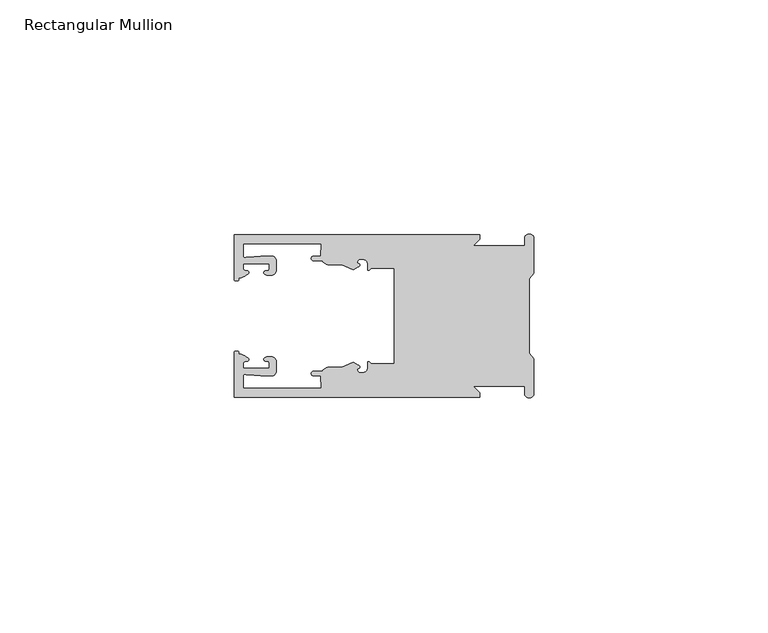
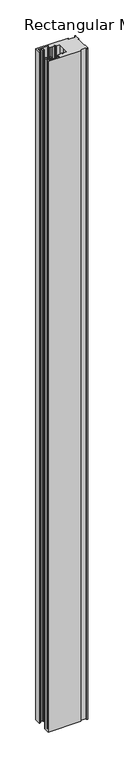
"""IFC4 building model written with IfcOpenShell, lengths in millimetres: member geometry, Rectangular Mullion."""

from ifc_helpers import new_model, si_unit, frame, origin, place, context, project, spatial, polyline, circle_curve, source, transform, mapped, element, save
from ifc_brep_helpers import plane_surface, cylinder_surface, revolved_surface, extruded_surface, spline_curve, advanced_brep


def rectangular_mullion_5be84725(model_context):
    return source(origin(), model_context, "Body", "AdvancedBrep", [
        advanced_brep(
        [(-11.5387897, 17.4000478, 0.0), (-64.0387868, 17.4000478, 0.0), (-64.0387868, 7.8350057, 0.0), (-63.2884687, 7.5412947, 0.0), (-62.4614154, 8.1921895, 0.0), (-62.0410649, 9.9426451, 0.0), (-62.0424168, 11.1926444, 0.0), (-56.54242, 11.1985924, 0.0), (-56.5410682, 9.9485931, 0.0), (-57.1085345, 8.7314723, 0.0), (-56.0397166, 8.6991345, 0.0), (-55.0407987, 9.7002154, 0.0), (-55.0430697, 11.8002142, 0.0), (-56.0446364, 12.7991315, 0.0), (-58.3650753, 12.7954945, 0.0), (-61.1340054, 12.5502269, 0.0), (-62.044093, 12.7426435, 0.0), (-62.0469668, 15.4000478, 0.0), (-45.4240312, 15.4000478, 0.0), (-45.5732135, 12.8000478, 0.0), (-47.0387868, 12.8000478, 0.0), (-47.0387868, 11.8000478, 0.0), (-45.2543363, 11.8000478, 0.0), (-43.6387868, 10.9000478, 0.0), (-41.0454034, 10.9000478, 0.0), (-38.5697136, 9.8718293, 0.0), (-37.5387868, 10.4670351, 0.0), (-37.6803436, 11.4201497, 0.0), (-37.0270763, 12.1583697, 0.0), (-36.2010815, 12.0127245, 0.0), (-35.54, 11.2248783, 0.0), (-35.54, 10.0, 0.0), (-34.7705791, 10.25, 0.0), (-29.79, 10.25, 0.0), (-29.79, 0.0, 0.0), (-29.79, -10.25, 0.0), (-34.7705791, -10.25, 0.0), (-35.54, -10.0, 0.0), (-35.54, -11.2248783, 0.0), (-36.2010815, -12.0127245, 0.0), (-37.0270763, -12.1583697, 0.0), (-37.6803436, -11.4201497, 0.0), (-37.5387868, -10.4670351, 0.0), (-38.5697136, -9.8718293, 0.0), (-41.0454034, -10.9000478, 0.0), (-43.6387868, -10.9000478, 0.0), (-45.2543363, -11.8000478, 0.0), (-47.0387868, -11.8000478, 0.0), (-47.0387868, -12.8000478, 0.0), (-45.5732135, -12.8000478, 0.0), (-45.4240312, -15.4000478, 0.0), (-62.0469668, -15.4000478, 0.0), (-62.044093, -12.7426435, 0.0), (-61.1340054, -12.5502269, 0.0), (-58.3650753, -12.7954945, 0.0), (-56.0446364, -12.7991314, 0.0), (-55.0430697, -11.8002142, 0.0), (-55.0407987, -9.7002154, 0.0), (-56.0397166, -8.6991345, 0.0), (-57.1085345, -8.7314723, 0.0), (-56.5410682, -9.9485931, 0.0), (-56.54242, -11.1985924, 0.0), (-62.0424168, -11.1926444, 0.0), (-62.0410649, -9.9426451, 0.0), (-62.4614154, -8.1921895, 0.0), (-63.2884687, -7.5412947, 0.0), (-64.0387868, -7.8350057, 0.0), (-64.0387868, -17.4000478, 0.0), (-11.5387897, -17.4000478, 0.0), (-11.5387897, -16.4000449, 0.0), (-12.9388346, -15.0, 0.0), (-2.0, -15.0, 0.0), (-2.0, -16.5, 0.0), (0.0, -16.5, 0.0), (0.0, -9.1160254, 0.0), (-1.0, -7.9613249, 0.0), (-1.0, 0.0, 0.0), (-1.0, 7.9613249, 0.0), (0.0, 9.1160254, 0.0), (0.0, 16.5, 0.0), (-2.0, 16.5, 0.0), (-2.0, 15.0, 0.0), (-12.9388346, 15.0, 0.0), (-11.5387897, 16.4000449, 0.0), (-11.5387897, 17.4000478, -1143.4999998), (-11.5387897, 16.4000449, -1143.4999998), (-12.9388346, 15.0, -1143.4999998), (-2.0, 15.0, -1143.4999998), (-2.0, 16.5, -1143.4999998), (0.0, 16.5, -1143.4999998), (0.0, 9.1160254, -1143.4999998), (-1.0, 7.9613249, -1143.4999998), (-1.0, 0.0, -1143.4999998), (-1.0, -7.9613249, -1143.4999998), (0.0, -9.1160254, -1143.4999998), (0.0, -16.5, -1143.4999998), (-2.0, -16.5, -1143.4999998), (-2.0, -15.0, -1143.4999998), (-12.9388346, -15.0, -1143.4999998), (-11.5387897, -16.4000449, -1143.4999998), (-11.5387897, -17.4000478, -1143.4999998), (-64.0387868, -17.4000478, -1143.4999998), (-64.0387868, -7.8350057, -1143.4999998), (-63.2884687, -7.5412947, -1143.4999998), (-62.4614154, -8.1921895, -1143.4999998), (-62.0410649, -9.9426451, -1143.4999998), (-62.0424168, -11.1926444, -1143.4999998), (-56.54242, -11.1985924, -1143.4999998), (-56.5410682, -9.9485931, -1143.4999998), (-57.1085345, -8.7314723, -1143.4999998), (-56.0397166, -8.6991345, -1143.4999998), (-55.0407987, -9.7002154, -1143.4999998), (-55.0430697, -11.8002142, -1143.4999998), (-56.0446364, -12.7991315, -1143.4999998), (-58.3650753, -12.7954945, -1143.4999998), (-61.1340054, -12.5502269, -1143.4999998), (-62.044093, -12.7426435, -1143.4999998), (-62.0469668, -15.4000478, -1143.4999998), (-45.4240312, -15.4000478, -1143.4999998), (-45.5732135, -12.8000478, -1143.4999998), (-47.0387868, -12.8000478, -1143.4999998), (-47.0387868, -11.8000478, -1143.4999998), (-45.2543363, -11.8000478, -1143.4999998), (-43.6387868, -10.9000478, -1143.4999998), (-41.0454034, -10.9000478, -1143.4999998), (-38.5697136, -9.8718293, -1143.4999998), (-37.5387868, -10.4670351, -1143.4999998), (-37.6803436, -11.4201497, -1143.4999998), (-37.0270763, -12.1583697, -1143.4999998), (-36.2010815, -12.0127245, -1143.4999998), (-35.54, -11.2248783, -1143.4999998), (-35.54, -10.0, -1143.4999998), (-34.7705791, -10.25, -1143.4999998), (-29.79, -10.25, -1143.4999998), (-29.79, 0.0, -1143.4999998), (-29.79, 10.25, -1143.4999998), (-34.7705791, 10.25, -1143.4999998), (-35.54, 10.0, -1143.4999998), (-35.54, 11.2248783, -1143.4999998), (-36.2010815, 12.0127245, -1143.4999998), (-37.0270763, 12.1583697, -1143.4999998), (-37.6803436, 11.4201497, -1143.4999998), (-37.5387868, 10.4670351, -1143.4999998), (-38.5697136, 9.8718293, -1143.4999998), (-41.0454034, 10.9000478, -1143.4999998), (-43.6387868, 10.9000478, -1143.4999998), (-45.2543363, 11.8000478, -1143.4999998), (-47.0387868, 11.8000478, -1143.4999998), (-47.0387868, 12.8000478, -1143.4999998), (-45.5732135, 12.8000478, -1143.4999998), (-45.4240312, 15.4000478, -1143.4999998), (-62.0469668, 15.4000478, -1143.4999998), (-62.044093, 12.7426435, -1143.4999998), (-61.1340054, 12.5502269, -1143.4999998), (-58.3650753, 12.7954945, -1143.4999998), (-56.0446364, 12.7991314, -1143.4999998), (-55.0430697, 11.8002142, -1143.4999998), (-55.0407987, 9.7002154, -1143.4999998), (-56.0397166, 8.6991345, -1143.4999998), (-57.1085345, 8.7314723, -1143.4999998), (-56.5410682, 9.9485931, -1143.4999998), (-56.54242, 11.1985924, -1143.4999998), (-62.0424168, 11.1926444, -1143.4999998), (-62.0410649, 9.9426451, -1143.4999998), (-62.4614154, 8.1921895, -1143.4999998), (-63.2884687, 7.5412947, -1143.4999998), (-64.0387868, 7.8350057, -1143.4999998), (-64.0387868, 17.4000478, -1143.4999998)],
        [
            (0, 1),
            (1, 2),
            (2, 3, spline_curve(3, [(-64.0387868, 7.8350057, 0.0), (-64.038491377, 7.561831774, 0.0), (-63.788385325, 7.463928087, 0.0), (-63.2884687, 7.5412947, 0.0)], [4, 4], [0.0, 0.0019169337574178654])),
            (3, 4, spline_curve(3, [(-63.2884687, 7.5412947, 0.0), (-63.057760917, 7.582232011, 0.0), (-63.018445067, 7.725390894, 0.0), (-63.019925494, 8.056436881, 0.0), (-63.103444208, 8.236386866, 0.0), (-62.4614154, 8.1921895, 0.0)], [4, 2, 4], [0.0, 0.0010199524164107188, 0.0024874514725970356])),
            (4, 5, spline_curve(3, [(-62.4614154, 8.1921895, 0.0), (-60.988497673, 8.880962536, 0.0), (-60.794045122, 9.192776957, 0.0), (-60.949808078, 9.57023562, 0.0), (-61.145214014, 9.682771697, 0.0), (-61.665835706, 9.714019003, 0.0), (-61.965242574, 9.660891484, 0.0), (-62.0410649, 9.9426451, 0.0)], [4, 2, 2, 4], [0.0, 0.003269869179570428, 0.005490050486237203, 0.0073545767114364426])),
            (5, 6),
            (6, 7),
            (7, 8),
            (8, 9, spline_curve(3, [(-56.5410682, 9.9485931, 0.0), (-56.634838635, 9.597117104, 0.0), (-56.904956774, 9.698238818, 0.0), (-57.324171444, 9.731086209, 0.0), (-57.45969165, 9.646199885, 0.0), (-57.729003352, 9.346016011, 0.0), (-57.859492582, 9.113082158, 0.0), (-57.1085345, 8.7314723, 0.0)], [4, 2, 2, 4], [0.0, 0.001593963049934732, 0.0033360256320283306, 0.005339140673503943])),
            (9, 10),
            (10, 11, circle_curve(frame((-56.0407981, 9.699134, 0.0), z_axis=(0.0, 0.0, 1.0), x_axis=(0.0010814451158627505, -0.9999994152380598, 0.0)), 1.0)),
            (11, 12),
            (12, 13, circle_curve(frame((-56.0430691, 11.7991327, 0.0), z_axis=(0.0, 0.0, 1.0), x_axis=(0.0010814451158627505, -0.9999994152380598, 0.0)), 1.0)),
            (13, 14),
            (14, 15),
            (15, 16, spline_curve(3, [(-61.1340054, 12.5502269, 0.0), (-61.605485428, 12.508463911, 0.0), (-61.992111419, 12.303164326, 0.0), (-62.044093, 12.7426435, 0.0)], [4, 4], [0.0, 0.0014803385355886016])),
            (16, 17),
            (17, 18),
            (18, 19),
            (19, 20),
            (20, 21, circle_curve(frame((-47.0387868, 12.3000478, 0.0), z_axis=(0.0, 0.0, 1.0), x_axis=(0.0, -1.0, 0.0)), 0.5)),
            (21, 22),
            (22, 23, circle_curve(frame((-43.6387868, 12.8000478, 0.0), z_axis=(0.0, 0.0, 1.0), x_axis=(0.0, -1.0, 0.0)), 1.9)),
            (23, 24),
            (24, 25),
            (25, 26),
            (26, 27, spline_curve(3, [(-37.5387868, 10.4670351, 0.0), (-36.973919853, 10.833863985, 0.0), (-37.198159645, 11.135696286, 0.0), (-37.587892011, 11.260246073, 0.0), (-37.754584192, 11.180452419, 0.0), (-37.6803436, 11.4201497, 0.0)], [4, 2, 4], [0.0, 0.0019283703160353726, 0.003394584635652914])),
            (27, 28, circle_curve(frame((-37.0434863, 11.5147359, 0.0), z_axis=(0.0, 0.0, -1.0), x_axis=(0.0, -1.0, 0.0)), 0.643843)),
            (28, 29),
            (29, 30, circle_curve(frame((-36.34, 11.2248783, 0.0), z_axis=(0.0, 0.0, -1.0), x_axis=(0.0, -1.0, 0.0)), 0.8)),
            (30, 31),
            (31, 32, spline_curve(3, [(-35.54, 10.0, 0.0), (-35.440000238, 9.598293201, 0.0), (-35.183526594, 9.681626535, 0.0), (-34.7705791, 10.25, 0.0)], [4, 4], [0.0, 0.0027473296990141553])),
            (32, 33),
            (33, 34),
            (34, 35),
            (35, 36),
            (36, 37, spline_curve(3, [(-34.7705791, -10.25, 0.0), (-35.183526594, -9.681626535, 0.0), (-35.440000238, -9.598293201, 0.0), (-35.54, -10.0, 0.0)], [4, 4], [0.0, 0.0027473296990141553])),
            (37, 38),
            (38, 39, circle_curve(frame((-36.34, -11.2248783, 0.0), z_axis=(0.0, 0.0, -1.0), x_axis=(0.0, 1.0, 0.0)), 0.8)),
            (39, 40),
            (40, 41, circle_curve(frame((-37.0434863, -11.5147359, 0.0), z_axis=(0.0, 0.0, -1.0), x_axis=(0.0, 1.0, 0.0)), 0.643843)),
            (41, 42, spline_curve(3, [(-37.6803436, -11.4201497, 0.0), (-37.754584192, -11.180452419, 0.0), (-37.587892011, -11.260246073, 0.0), (-37.198159645, -11.135696286, 0.0), (-36.973919853, -10.833863985, 0.0), (-37.5387868, -10.4670351, 0.0)], [4, 2, 4], [0.0, 0.0014662143196175414, 0.003394584635652914])),
            (42, 43),
            (43, 44),
            (44, 45),
            (45, 46, circle_curve(frame((-43.6387868, -12.8000478, 0.0), z_axis=(0.0, 0.0, 1.0), x_axis=(0.0, 1.0, 0.0)), 1.9)),
            (46, 47),
            (47, 48, circle_curve(frame((-47.0387868, -12.3000478, 0.0), z_axis=(0.0, 0.0, 1.0), x_axis=(0.0, 1.0, 0.0)), 0.5)),
            (48, 49),
            (49, 50),
            (50, 51),
            (51, 52),
            (52, 53, spline_curve(3, [(-62.044093, -12.7426435, 0.0), (-61.992111419, -12.303164326, 0.0), (-61.605485428, -12.508463911, 0.0), (-61.1340054, -12.5502269, 0.0)], [4, 4], [0.0, 0.0014803385355886016])),
            (53, 54),
            (54, 55),
            (55, 56, circle_curve(frame((-56.0430691, -11.7991327, 0.0), z_axis=(0.0, 0.0, 1.0), x_axis=(0.001081445115855867, 0.9999994152380598, 0.0)), 1.0)),
            (56, 57),
            (57, 58, circle_curve(frame((-56.0407981, -9.699134, 0.0), z_axis=(0.0, 0.0, 1.0), x_axis=(0.001081445115855867, 0.9999994152380598, 0.0)), 1.0)),
            (58, 59),
            (59, 60, spline_curve(3, [(-57.1085345, -8.7314723, 0.0), (-57.859492582, -9.113082158, 0.0), (-57.729003352, -9.346016011, 0.0), (-57.45969165, -9.646199885, 0.0), (-57.324171444, -9.731086209, 0.0), (-56.904956774, -9.698238818, 0.0), (-56.634838635, -9.597117104, 0.0), (-56.5410682, -9.9485931, 0.0)], [4, 2, 2, 4], [0.0, 0.002003115041475612, 0.0037451776235692107, 0.005339140673503943])),
            (60, 61),
            (61, 62),
            (62, 63),
            (63, 64, spline_curve(3, [(-62.0410649, -9.9426451, 0.0), (-61.965242574, -9.660891484, 0.0), (-61.665835706, -9.714019003, 0.0), (-61.145214014, -9.682771697, 0.0), (-60.949808078, -9.57023562, 0.0), (-60.794045122, -9.192776957, 0.0), (-60.988497673, -8.880962536, 0.0), (-62.4614154, -8.1921895, 0.0)], [4, 2, 2, 4], [0.0, 0.0018645262251992395, 0.004084707531866015, 0.0073545767114364426])),
            (64, 65, spline_curve(3, [(-62.4614154, -8.1921895, 0.0), (-63.103444208, -8.236386866, 0.0), (-63.019925494, -8.056436881, 0.0), (-63.018445067, -7.725390894, 0.0), (-63.057760917, -7.582232011, 0.0), (-63.2884687, -7.5412947, 0.0)], [4, 2, 4], [0.0, 0.0014674990561863168, 0.0024874514725970356])),
            (65, 66, spline_curve(3, [(-63.2884687, -7.5412947, 0.0), (-63.788385325, -7.463928087, 0.0), (-64.038491377, -7.561831774, 0.0), (-64.0387868, -7.8350057, 0.0)], [4, 4], [0.0, 0.0019169337574178654])),
            (66, 67),
            (67, 68),
            (68, 69),
            (69, 70),
            (70, 71),
            (71, 72),
            (72, 73, circle_curve(frame((-1.0, -16.5, 0.0), z_axis=(0.0, 0.0, 1.0), x_axis=(0.0, 1.0, 0.0)), 1.0)),
            (73, 74),
            (74, 75),
            (75, 76),
            (76, 77),
            (77, 78),
            (78, 79),
            (79, 80, circle_curve(frame((-1.0, 16.5, 0.0), z_axis=(0.0, 0.0, 1.0), x_axis=(0.0, -1.0, 0.0)), 1.0)),
            (80, 81),
            (81, 82),
            (82, 83),
            (83, 0),
            (84, 85),
            (85, 86),
            (86, 87),
            (87, 88),
            (88, 89, circle_curve(frame((-1.0, 16.5, -1143.4999998), z_axis=(0.0, 0.0, -1.0), x_axis=(0.0, -1.0, 0.0)), 1.0)),
            (89, 90),
            (90, 91),
            (91, 92),
            (92, 93),
            (93, 94),
            (94, 95),
            (95, 96, circle_curve(frame((-1.0, -16.5, -1143.4999998), z_axis=(0.0, 0.0, -1.0), x_axis=(0.0, 1.0, 0.0)), 1.0)),
            (96, 97),
            (97, 98),
            (98, 99),
            (99, 100),
            (100, 101),
            (101, 102),
            (102, 103, spline_curve(3, [(-64.0387868, -7.8350057, -1143.4999998), (-64.038491377, -7.561831774, -1143.4999998), (-63.788385325, -7.463928087, -1143.4999998), (-63.2884687, -7.5412947, -1143.4999998)], [4, 4], [0.0, 0.0019169337574178654])),
            (103, 104, spline_curve(3, [(-63.2884687, -7.5412947, -1143.4999998), (-63.057760917, -7.582232011, -1143.4999998), (-63.018445067, -7.725390894, -1143.4999998), (-63.019925494, -8.056436881, -1143.4999998), (-63.103444208, -8.236386866, -1143.4999998), (-62.4614154, -8.1921895, -1143.4999998)], [4, 2, 4], [0.0, 0.0010199524164107188, 0.0024874514725970356])),
            (104, 105, spline_curve(3, [(-62.4614154, -8.1921895, -1143.4999998), (-60.988497673, -8.880962536, -1143.4999998), (-60.794045122, -9.192776957, -1143.4999998), (-60.949808078, -9.57023562, -1143.4999998), (-61.145214014, -9.682771697, -1143.4999998), (-61.665835706, -9.714019003, -1143.4999998), (-61.965242574, -9.660891484, -1143.4999998), (-62.0410649, -9.9426451, -1143.4999998)], [4, 2, 2, 4], [0.0, 0.003269869179570428, 0.005490050486237203, 0.0073545767114364426])),
            (105, 106),
            (106, 107),
            (107, 108),
            (108, 109, spline_curve(3, [(-56.5410682, -9.9485931, -1143.4999998), (-56.634838635, -9.597117104, -1143.4999998), (-56.904956774, -9.698238818, -1143.4999998), (-57.324171444, -9.731086209, -1143.4999998), (-57.45969165, -9.646199885, -1143.4999998), (-57.729003352, -9.346016011, -1143.4999998), (-57.859492582, -9.113082158, -1143.4999998), (-57.1085345, -8.7314723, -1143.4999998)], [4, 2, 2, 4], [0.0, 0.001593963049934732, 0.0033360256320283306, 0.005339140673503943])),
            (109, 110),
            (110, 111, circle_curve(frame((-56.0407981, -9.699134, -1143.4999998), z_axis=(0.0, 0.0, -1.0), x_axis=(0.001081445115855867, 0.9999994152380598, 0.0)), 1.0)),
            (111, 112),
            (112, 113, circle_curve(frame((-56.0430691, -11.7991327, -1143.4999998), z_axis=(0.0, 0.0, -1.0), x_axis=(0.001081445115855867, 0.9999994152380598, 0.0)), 1.0)),
            (113, 114),
            (114, 115),
            (115, 116, spline_curve(3, [(-61.1340054, -12.5502269, -1143.4999998), (-61.605485428, -12.508463911, -1143.4999998), (-61.992111419, -12.303164326, -1143.4999998), (-62.044093, -12.7426435, -1143.4999998)], [4, 4], [0.0, 0.0014803385355886016])),
            (116, 117),
            (117, 118),
            (118, 119),
            (119, 120),
            (120, 121, circle_curve(frame((-47.0387868, -12.3000478, -1143.4999998), z_axis=(0.0, 0.0, -1.0), x_axis=(0.0, 1.0, 0.0)), 0.5)),
            (121, 122),
            (122, 123, circle_curve(frame((-43.6387868, -12.8000478, -1143.4999998), z_axis=(0.0, 0.0, -1.0), x_axis=(0.0, 1.0, 0.0)), 1.9)),
            (123, 124),
            (124, 125),
            (125, 126),
            (126, 127, spline_curve(3, [(-37.5387868, -10.4670351, -1143.4999998), (-36.973919853, -10.833863985, -1143.4999998), (-37.198159645, -11.135696286, -1143.4999998), (-37.587892011, -11.260246073, -1143.4999998), (-37.754584192, -11.180452419, -1143.4999998), (-37.6803436, -11.4201497, -1143.4999998)], [4, 2, 4], [0.0, 0.0019283703160353726, 0.003394584635652914])),
            (127, 128, circle_curve(frame((-37.0434863, -11.5147359, -1143.4999998), z_axis=(0.0, 0.0, 1.0), x_axis=(0.0, 1.0, 0.0)), 0.643843)),
            (128, 129),
            (129, 130, circle_curve(frame((-36.34, -11.2248783, -1143.4999998), z_axis=(0.0, 0.0, 1.0), x_axis=(0.0, 1.0, 0.0)), 0.8)),
            (130, 131),
            (131, 132, spline_curve(3, [(-35.54, -10.0, -1143.4999998), (-35.440000238, -9.598293201, -1143.4999998), (-35.183526594, -9.681626535, -1143.4999998), (-34.7705791, -10.25, -1143.4999998)], [4, 4], [0.0, 0.0027473296990141553])),
            (132, 133),
            (133, 134),
            (134, 135),
            (135, 136),
            (136, 137, spline_curve(3, [(-34.7705791, 10.25, -1143.4999998), (-35.183526594, 9.681626535, -1143.4999998), (-35.440000238, 9.598293201, -1143.4999998), (-35.54, 10.0, -1143.4999998)], [4, 4], [0.0, 0.0027473296990141553])),
            (137, 138),
            (138, 139, circle_curve(frame((-36.34, 11.2248783, -1143.4999998), z_axis=(0.0, 0.0, 1.0), x_axis=(0.0, -1.0, 0.0)), 0.8)),
            (139, 140),
            (140, 141, circle_curve(frame((-37.0434863, 11.5147359, -1143.4999998), z_axis=(0.0, 0.0, 1.0), x_axis=(0.0, -1.0, 0.0)), 0.643843)),
            (141, 142, spline_curve(3, [(-37.6803436, 11.4201497, -1143.4999998), (-37.754584192, 11.180452419, -1143.4999998), (-37.587892011, 11.260246073, -1143.4999998), (-37.198159645, 11.135696286, -1143.4999998), (-36.973919853, 10.833863985, -1143.4999998), (-37.5387868, 10.4670351, -1143.4999998)], [4, 2, 4], [0.0, 0.0014662143196175414, 0.003394584635652914])),
            (142, 143),
            (143, 144),
            (144, 145),
            (145, 146, circle_curve(frame((-43.6387868, 12.8000478, -1143.4999998), z_axis=(0.0, 0.0, -1.0), x_axis=(0.0, -1.0, 0.0)), 1.9)),
            (146, 147),
            (147, 148, circle_curve(frame((-47.0387868, 12.3000478, -1143.4999998), z_axis=(0.0, 0.0, -1.0), x_axis=(0.0, -1.0, 0.0)), 0.5)),
            (148, 149),
            (149, 150),
            (150, 151),
            (151, 152),
            (152, 153, spline_curve(3, [(-62.044093, 12.7426435, -1143.4999998), (-61.992111419, 12.303164326, -1143.4999998), (-61.605485428, 12.508463911, -1143.4999998), (-61.1340054, 12.5502269, -1143.4999998)], [4, 4], [0.0, 0.0014803385355886016])),
            (153, 154),
            (154, 155),
            (155, 156, circle_curve(frame((-56.0430691, 11.7991327, -1143.4999998), z_axis=(0.0, 0.0, -1.0), x_axis=(0.0010814451158627505, -0.9999994152380598, 0.0)), 1.0)),
            (156, 157),
            (157, 158, circle_curve(frame((-56.0407981, 9.699134, -1143.4999998), z_axis=(0.0, 0.0, -1.0), x_axis=(0.0010814451158627505, -0.9999994152380598, 0.0)), 1.0)),
            (158, 159),
            (159, 160, spline_curve(3, [(-57.1085345, 8.7314723, -1143.4999998), (-57.859492582, 9.113082158, -1143.4999998), (-57.729003352, 9.346016011, -1143.4999998), (-57.45969165, 9.646199885, -1143.4999998), (-57.324171444, 9.731086209, -1143.4999998), (-56.904956774, 9.698238818, -1143.4999998), (-56.634838635, 9.597117104, -1143.4999998), (-56.5410682, 9.9485931, -1143.4999998)], [4, 2, 2, 4], [0.0, 0.002003115041475612, 0.0037451776235692107, 0.005339140673503943])),
            (160, 161),
            (161, 162),
            (162, 163),
            (163, 164, spline_curve(3, [(-62.0410649, 9.9426451, -1143.4999998), (-61.965242574, 9.660891484, -1143.4999998), (-61.665835706, 9.714019003, -1143.4999998), (-61.145214014, 9.682771697, -1143.4999998), (-60.949808078, 9.57023562, -1143.4999998), (-60.794045122, 9.192776957, -1143.4999998), (-60.988497673, 8.880962536, -1143.4999998), (-62.4614154, 8.1921895, -1143.4999998)], [4, 2, 2, 4], [0.0, 0.0018645262251992395, 0.004084707531866015, 0.0073545767114364426])),
            (164, 165, spline_curve(3, [(-62.4614154, 8.1921895, -1143.4999998), (-63.103444208, 8.236386866, -1143.4999998), (-63.019925494, 8.056436881, -1143.4999998), (-63.018445067, 7.725390894, -1143.4999998), (-63.057760917, 7.582232011, -1143.4999998), (-63.2884687, 7.5412947, -1143.4999998)], [4, 2, 4], [0.0, 0.0014674990561863168, 0.0024874514725970356])),
            (165, 166, spline_curve(3, [(-63.2884687, 7.5412947, -1143.4999998), (-63.788385325, 7.463928087, -1143.4999998), (-64.038491377, 7.561831774, -1143.4999998), (-64.0387868, 7.8350057, -1143.4999998)], [4, 4], [0.0, 0.0019169337574178654])),
            (166, 167),
            (167, 84),
            (0, 84),
            (167, 1),
            (166, 2),
            (165, 3),
            (164, 4),
            (163, 5),
            (162, 6),
            (161, 7),
            (160, 8),
            (159, 9),
            (158, 10),
            (157, 11),
            (156, 12),
            (155, 13),
            (154, 14),
            (153, 15),
            (152, 16),
            (151, 17),
            (150, 18),
            (149, 19),
            (148, 20),
            (147, 21),
            (146, 22),
            (145, 23),
            (144, 24),
            (143, 25),
            (142, 26),
            (141, 27),
            (140, 28),
            (139, 29),
            (138, 30),
            (137, 31),
            (136, 32),
            (135, 33),
            (134, 34),
            (133, 35),
            (132, 36),
            (131, 37),
            (130, 38),
            (129, 39),
            (128, 40),
            (127, 41),
            (126, 42),
            (125, 43),
            (124, 44),
            (123, 45),
            (122, 46),
            (121, 47),
            (120, 48),
            (119, 49),
            (118, 50),
            (117, 51),
            (116, 52),
            (115, 53),
            (114, 54),
            (113, 55),
            (112, 56),
            (111, 57),
            (110, 58),
            (109, 59),
            (108, 60),
            (107, 61),
            (106, 62),
            (105, 63),
            (104, 64),
            (103, 65),
            (102, 66),
            (101, 67),
            (100, 68),
            (99, 69),
            (98, 70),
            (97, 71),
            (96, 72),
            (95, 73),
            (94, 74),
            (93, 75),
            (92, 76),
            (91, 77),
            (90, 78),
            (89, 79),
            (88, 80),
            (87, 81),
            (86, 82),
            (85, 83),
        ],
        [
            plane_surface(frame((0.0, -66.3605898, 0.0), z_axis=(0.0, 0.0, 1.0), x_axis=(-1.0, 0.0, 0.0))),
            plane_surface(frame((0.0, -66.3605898, -1143.4999998), z_axis=(0.0, 0.0, -1.0), x_axis=(-1.0, 0.0, 0.0))),
            plane_surface(frame((-11.5387897, 17.4000478, 0.0), z_axis=(0.0, 1.0, 0.0), x_axis=(0.0, 0.0, -1.0))),
            plane_surface(frame((-64.0387868, 17.4000478, 0.0), z_axis=(-1.0, 0.0, 0.0), x_axis=(0.0, 0.0, -1.0))),
            extruded_surface(spline_curve(3, [(-64.0387868, 7.8350057, -1143.4999998), (-64.038491377, 7.561831774, -1143.4999998), (-63.788385325, 7.463928087, -1143.4999998), (-63.2884687, 7.5412947, -1143.4999998)], [4, 4], [0.0, 0.0019169337574178654]), (0.0, 0.0, 1143.4999998), 1143.4999998),
            extruded_surface(spline_curve(3, [(-63.2884687, 7.5412947, -1143.4999998), (-63.057760917, 7.582232011, -1143.4999998), (-63.018445067, 7.725390894, -1143.4999998), (-63.019925494, 8.056436881, -1143.4999998), (-63.103444208, 8.236386866, -1143.4999998), (-62.4614154, 8.1921895, -1143.4999998)], [4, 2, 4], [0.0, 0.0010199524164107188, 0.0024874514725970356]), (0.0, 0.0, 1143.4999998), 1143.4999998),
            extruded_surface(spline_curve(3, [(-62.4614154, 8.1921895, -1143.4999998), (-60.988497673, 8.880962536, -1143.4999998), (-60.794045122, 9.192776957, -1143.4999998), (-60.949808078, 9.57023562, -1143.4999998), (-61.145214014, 9.682771697, -1143.4999998), (-61.665835706, 9.714019003, -1143.4999998), (-61.965242574, 9.660891484, -1143.4999998), (-62.0410649, 9.9426451, -1143.4999998)], [4, 2, 2, 4], [0.0, 0.003269869179570428, 0.005490050486237203, 0.0073545767114364426]), (0.0, 0.0, 1143.4999998), 1143.4999998),
            plane_surface(frame((-62.0410649, 9.9426451, 0.0), z_axis=(0.9999994152380598, 0.0010814451158593665, 0.0), x_axis=(0.0, 0.0, -1.0))),
            plane_surface(frame((-62.0424168, 11.1926444, 0.0), z_axis=(0.0010814451158611391, -0.9999994152380598, 0.0), x_axis=(0.0, 0.0, -1.0))),
            plane_surface(frame((-56.54242, 11.1985924, 0.0), z_axis=(-0.9999994152380598, -0.0010814451158584516, 0.0), x_axis=(0.0, 0.0, -1.0))),
            extruded_surface(spline_curve(3, [(-56.5410682, 9.9485931, -1143.4999998), (-56.634838635, 9.597117104, -1143.4999998), (-56.904956774, 9.698238818, -1143.4999998), (-57.324171444, 9.731086209, -1143.4999998), (-57.45969165, 9.646199885, -1143.4999998), (-57.729003352, 9.346016011, -1143.4999998), (-57.859492582, 9.113082158, -1143.4999998), (-57.1085345, 8.7314723, -1143.4999998)], [4, 2, 2, 4], [0.0, 0.001593963049934732, 0.0033360256320283306, 0.005339140673503943]), (0.0, 0.0, 1143.4999998), 1143.4999998),
            plane_surface(frame((-57.1085345, 8.7314723, 0.0), z_axis=(-0.030241832452869922, -0.9995426111826813, 0.0), x_axis=(0.0, 0.0, -1.0))),
            cylinder_surface(frame((-56.0407981, 9.699134, 0.0), z_axis=(0.0, 0.0, 1.0000000000000002), x_axis=(0.0010814451158627505, -0.9999994152380598, 0.0)), 1.0),
            plane_surface(frame((-55.0407987, 9.7002154, 0.0), z_axis=(0.9999994152380598, 0.001081445115858722, 0.0), x_axis=(0.0, 0.0, -1.0))),
            cylinder_surface(frame((-56.0430691, 11.7991327, 0.0), z_axis=(0.0, 0.0, 1.0000000000000002), x_axis=(0.0010814451158627505, -0.9999994152380598, 0.0)), 1.0),
            plane_surface(frame((-56.0446364, 12.7991314, 0.0), z_axis=(-0.0015673183327907744, 0.9999987717558677, 0.0), x_axis=(0.0, 0.0, -1.0))),
            plane_surface(frame((-58.3650753, 12.7954945, 0.0), z_axis=(-0.08823302167299531, 0.9960998614026874, 0.0), x_axis=(0.0, 0.0, -1.0))),
            extruded_surface(spline_curve(3, [(-61.1340054, 12.5502269, -1143.4999998), (-61.605485428, 12.508463911, -1143.4999998), (-61.992111419, 12.303164326, -1143.4999998), (-62.044093, 12.7426435, -1143.4999998)], [4, 4], [0.0, 0.0014803385355886016]), (0.0, 0.0, 1143.4999998), 1143.4999998),
            plane_surface(frame((-62.044093, 12.7426435, 0.0), z_axis=(0.9999994152380598, 0.0010814451158597813, 0.0), x_axis=(0.0, 0.0, -1.0))),
            plane_surface(frame((-62.0469668, 15.4000478, 0.0), z_axis=(0.0, -1.0, 0.0), x_axis=(0.0, 0.0, -1.0))),
            plane_surface(frame((-45.4240312, 15.4000478, 0.0), z_axis=(-0.9983579461523547, 0.05728360458675776, 0.0), x_axis=(0.0, 0.0, -1.0))),
            plane_surface(frame((-45.5732135, 12.8000478, 0.0), z_axis=(0.0, 1.0, 0.0), x_axis=(0.0, 0.0, -1.0))),
            cylinder_surface(frame((-47.0387868, 12.3000478, 0.0), z_axis=(0.0, 0.0, 1.0), x_axis=(0.0, -1.0, 0.0)), 0.5),
            plane_surface(frame((-47.0387868, 11.8000478, 0.0), z_axis=(0.0, -1.0, 0.0), x_axis=(0.0, 0.0, -1.0))),
            cylinder_surface(frame((-43.6387868, 12.8000478, 0.0), z_axis=(0.0, 0.0, 1.0), x_axis=(0.0, -1.0, 0.0)), 1.9),
            plane_surface(frame((-43.6387868, 10.9000478, 0.0), z_axis=(0.0, -1.0, 0.0), x_axis=(0.0, 0.0, -1.0))),
            plane_surface(frame((-41.0454034, 10.9000478, 0.0), z_axis=(-0.3835602140750569, -0.9235158700199453, 0.0), x_axis=(0.0, 0.0, -1.0))),
            plane_surface(frame((-38.5697136, 9.8718293, 0.0), z_axis=(0.5000000000252295, -0.8660254037698725, 0.0), x_axis=(0.0, 0.0, -1.0))),
            extruded_surface(spline_curve(3, [(-37.5387868, 10.4670351, -1143.4999998), (-36.973919853, 10.833863985, -1143.4999998), (-37.198159645, 11.135696286, -1143.4999998), (-37.587892011, 11.260246073, -1143.4999998), (-37.754584192, 11.180452419, -1143.4999998), (-37.6803436, 11.4201497, -1143.4999998)], [4, 2, 4], [0.0, 0.0019283703160353726, 0.003394584635652914]), (0.0, 0.0, 1143.4999998), 1143.4999998),
            revolved_surface(polyline([(-37.0434863, 10.8708929, -1143.4999998), (-37.0434863, 10.8708929, 0.0)]), (-37.0434863, 11.5147359, 0.0), (0.0, 0.0, -1.0)),
            plane_surface(frame((-37.0270763, 12.1583697, 0.0), z_axis=(-0.17364817767050408, -0.984807753011578, 0.0), x_axis=(0.0, 0.0, -1.0))),
            revolved_surface(polyline([(-36.34, 10.4248783, -1143.4999998), (-36.34, 10.4248783, 0.0)]), (-36.34, 11.2248783, 0.0), (0.0, 0.0, -1.0)),
            plane_surface(frame((-35.54, 11.2248783, 0.0), z_axis=(-1.0, 0.0, 0.0), x_axis=(0.0, 0.0, -1.0))),
            extruded_surface(spline_curve(3, [(-35.54, 10.0, -1143.4999998), (-35.440000238, 9.598293201, -1143.4999998), (-35.183526594, 9.681626535, -1143.4999998), (-34.7705791, 10.25, -1143.4999998)], [4, 4], [0.0, 0.0027473296990141553]), (0.0, 0.0, 1143.4999998), 1143.4999998),
            plane_surface(frame((-34.7705791, 10.25, 0.0), z_axis=(0.0, -1.0, 0.0), x_axis=(0.0, 0.0, -1.0))),
            plane_surface(frame((-29.79, 10.25, 0.0), z_axis=(-1.0, 0.0, 0.0), x_axis=(0.0, 0.0, -1.0))),
            plane_surface(frame((-29.79, 0.0, 0.0), z_axis=(-1.0, 0.0, 0.0), x_axis=(0.0, 0.0, -1.0))),
            plane_surface(frame((-29.79, -10.25, 0.0), z_axis=(0.0, 1.0, 0.0), x_axis=(0.0, 0.0, -1.0))),
            extruded_surface(spline_curve(3, [(-34.7705791, -10.25, -1143.4999998), (-35.183526594, -9.681626535, -1143.4999998), (-35.440000238, -9.598293201, -1143.4999998), (-35.54, -10.0, -1143.4999998)], [4, 4], [0.0, 0.0027473296990141553]), (0.0, 0.0, 1143.4999998), 1143.4999998),
            plane_surface(frame((-35.54, -10.0, 0.0), z_axis=(-1.0, 0.0, 0.0), x_axis=(0.0, 0.0, -1.0))),
            revolved_surface(polyline([(-36.34, -10.4248783, -1143.4999998), (-36.34, -10.4248783, 0.0)]), (-36.34, -11.2248783, 0.0), (0.0, 0.0, -1.0)),
            plane_surface(frame((-36.2010815, -12.0127245, 0.0), z_axis=(-0.17364817767051083, 0.9848077530115767, 0.0), x_axis=(0.0, 0.0, -1.0))),
            revolved_surface(polyline([(-37.0434863, -10.8708929, -1143.4999998), (-37.0434863, -10.8708929, 0.0)]), (-37.0434863, -11.5147359, 0.0), (0.0, 0.0, -1.0)),
            extruded_surface(spline_curve(3, [(-37.6803436, -11.4201497, -1143.4999998), (-37.754584192, -11.180452419, -1143.4999998), (-37.587892011, -11.260246073, -1143.4999998), (-37.198159645, -11.135696286, -1143.4999998), (-36.973919853, -10.833863985, -1143.4999998), (-37.5387868, -10.4670351, -1143.4999998)], [4, 2, 4], [0.0, 0.0014662143196175414, 0.003394584635652914]), (0.0, 0.0, 1143.4999998), 1143.4999998),
            plane_surface(frame((-37.5387868, -10.4670351, 0.0), z_axis=(0.5000000000252234, 0.8660254037698759, 0.0), x_axis=(0.0, 0.0, -1.0))),
            plane_surface(frame((-38.5697136, -9.8718293, 0.0), z_axis=(-0.38356021407506324, 0.9235158700199426, 0.0), x_axis=(0.0, 0.0, -1.0))),
            plane_surface(frame((-41.0454034, -10.9000478, 0.0), z_axis=(0.0, 1.0, 0.0), x_axis=(0.0, 0.0, -1.0))),
            cylinder_surface(frame((-43.6387868, -12.8000478, 0.0), z_axis=(0.0, 0.0, 1.0), x_axis=(0.0, 1.0, 0.0)), 1.9),
            plane_surface(frame((-45.2543363, -11.8000478, 0.0), z_axis=(0.0, 1.0, 0.0), x_axis=(0.0, 0.0, -1.0))),
            cylinder_surface(frame((-47.0387868, -12.3000478, 0.0), z_axis=(0.0, 0.0, 1.0), x_axis=(0.0, 1.0, 0.0)), 0.5),
            plane_surface(frame((-47.0387868, -12.8000478, 0.0), z_axis=(0.0, -1.0, 0.0), x_axis=(0.0, 0.0, -1.0))),
            plane_surface(frame((-45.5732135, -12.8000478, 0.0), z_axis=(-0.9983579461523543, -0.05728360458676463, 0.0), x_axis=(0.0, 0.0, -1.0))),
            plane_surface(frame((-45.4240312, -15.4000478, 0.0), z_axis=(0.0, 1.0, 0.0), x_axis=(0.0, 0.0, -1.0))),
            plane_surface(frame((-62.0469668, -15.4000478, 0.0), z_axis=(0.9999994152380598, -0.001081445115852898, 0.0), x_axis=(0.0, 0.0, -1.0))),
            extruded_surface(spline_curve(3, [(-62.044093, -12.7426435, -1143.4999998), (-61.992111419, -12.303164326, -1143.4999998), (-61.605485428, -12.508463911, -1143.4999998), (-61.1340054, -12.5502269, -1143.4999998)], [4, 4], [0.0, 0.0014803385355886016]), (0.0, 0.0, 1143.4999998), 1143.4999998),
            plane_surface(frame((-61.1340054, -12.5502269, 0.0), z_axis=(-0.08823302167298844, -0.9960998614026879, 0.0), x_axis=(0.0, 0.0, -1.0))),
            plane_surface(frame((-58.3650753, -12.7954945, 0.0), z_axis=(-0.001567318332783891, -0.9999987717558677, 0.0), x_axis=(0.0, 0.0, -1.0))),
            cylinder_surface(frame((-56.0430691, -11.7991327, 0.0), z_axis=(0.0, 0.0, 1.0000000000000002), x_axis=(0.001081445115855867, 0.9999994152380598, 0.0)), 1.0),
            plane_surface(frame((-55.0430697, -11.8002142, 0.0), z_axis=(0.9999994152380598, -0.0010814451158518386, 0.0), x_axis=(0.0, 0.0, -1.0))),
            cylinder_surface(frame((-56.0407981, -9.699134, 0.0), z_axis=(0.0, 0.0, 1.0000000000000002), x_axis=(0.001081445115855867, 0.9999994152380598, 0.0)), 1.0),
            plane_surface(frame((-56.0397166, -8.6991345, 0.0), z_axis=(-0.030241832452876805, 0.9995426111826811, 0.0), x_axis=(0.0, 0.0, -1.0))),
            extruded_surface(spline_curve(3, [(-57.1085345, -8.7314723, -1143.4999998), (-57.859492582, -9.113082158, -1143.4999998), (-57.729003352, -9.346016011, -1143.4999998), (-57.45969165, -9.646199885, -1143.4999998), (-57.324171444, -9.731086209, -1143.4999998), (-56.904956774, -9.698238818, -1143.4999998), (-56.634838635, -9.597117104, -1143.4999998), (-56.5410682, -9.9485931, -1143.4999998)], [4, 2, 2, 4], [0.0, 0.002003115041475612, 0.0037451776235692107, 0.005339140673503943]), (0.0, 0.0, 1143.4999998), 1143.4999998),
            plane_surface(frame((-56.5410682, -9.9485931, 0.0), z_axis=(-0.9999994152380598, 0.0010814451158515682, 0.0), x_axis=(0.0, 0.0, -1.0))),
            plane_surface(frame((-56.54242, -11.1985924, 0.0), z_axis=(0.0010814451158542558, 0.9999994152380598, 0.0), x_axis=(0.0, 0.0, -1.0))),
            plane_surface(frame((-62.0424168, -11.1926444, 0.0), z_axis=(0.9999994152380598, -0.001081445115852483, 0.0), x_axis=(0.0, 0.0, -1.0))),
            extruded_surface(spline_curve(3, [(-62.0410649, -9.9426451, -1143.4999998), (-61.965242574, -9.660891484, -1143.4999998), (-61.665835706, -9.714019003, -1143.4999998), (-61.145214014, -9.682771697, -1143.4999998), (-60.949808078, -9.57023562, -1143.4999998), (-60.794045122, -9.192776957, -1143.4999998), (-60.988497673, -8.880962536, -1143.4999998), (-62.4614154, -8.1921895, -1143.4999998)], [4, 2, 2, 4], [0.0, 0.0018645262251992395, 0.004084707531866015, 0.0073545767114364426]), (0.0, 0.0, 1143.4999998), 1143.4999998),
            extruded_surface(spline_curve(3, [(-62.4614154, -8.1921895, -1143.4999998), (-63.103444208, -8.236386866, -1143.4999998), (-63.019925494, -8.056436881, -1143.4999998), (-63.018445067, -7.725390894, -1143.4999998), (-63.057760917, -7.582232011, -1143.4999998), (-63.2884687, -7.5412947, -1143.4999998)], [4, 2, 4], [0.0, 0.0014674990561863168, 0.0024874514725970356]), (0.0, 0.0, 1143.4999998), 1143.4999998),
            extruded_surface(spline_curve(3, [(-63.2884687, -7.5412947, -1143.4999998), (-63.788385325, -7.463928087, -1143.4999998), (-64.038491377, -7.561831774, -1143.4999998), (-64.0387868, -7.8350057, -1143.4999998)], [4, 4], [0.0, 0.0019169337574178654]), (0.0, 0.0, 1143.4999998), 1143.4999998),
            plane_surface(frame((-64.0387868, -7.8350057, 0.0), z_axis=(-1.0, 0.0, 0.0), x_axis=(0.0, 0.0, -1.0))),
            plane_surface(frame((-64.0387868, -17.4000478, 0.0), z_axis=(0.0, -1.0, 0.0), x_axis=(0.0, 0.0, -1.0))),
            plane_surface(frame((-11.5387897, -17.4000478, 0.0), z_axis=(1.0, 0.0, 0.0), x_axis=(0.0, 0.0, -1.0))),
            plane_surface(frame((-11.5387897, -16.4000449, 0.0), z_axis=(0.7071067811865457, 0.7071067811865493, 0.0), x_axis=(0.0, 0.0, -1.0))),
            plane_surface(frame((-12.9388346, -15.0, 0.0), z_axis=(0.0, -1.0, 0.0), x_axis=(0.0, 0.0, -1.0))),
            plane_surface(frame((-2.0, -15.0, 0.0), z_axis=(-1.0, 0.0, 0.0), x_axis=(0.0, 0.0, -1.0))),
            cylinder_surface(frame((-1.0, -16.5, 0.0), z_axis=(0.0, 0.0, 1.0), x_axis=(0.0, 1.0, 0.0)), 1.0),
            plane_surface(frame((0.0, -16.5, 0.0), z_axis=(1.0, 0.0, 0.0), x_axis=(0.0, 0.0, -1.0))),
            plane_surface(frame((0.0, -9.1160254, 0.0), z_axis=(0.7559289460231527, 0.6546536707025522, 0.0), x_axis=(0.0, 0.0, -1.0))),
            plane_surface(frame((-1.0, -7.9613249, 0.0), z_axis=(1.0, 0.0, 0.0), x_axis=(0.0, 0.0, -1.0))),
            plane_surface(frame((-1.0, 0.0, 0.0), z_axis=(1.0, 0.0, 0.0), x_axis=(0.0, 0.0, -1.0))),
            plane_surface(frame((-1.0, 7.9613249, 0.0), z_axis=(0.7559289460231571, -0.654653670702547, 0.0), x_axis=(0.0, 0.0, -1.0))),
            plane_surface(frame((0.0, 9.1160254, 0.0), z_axis=(1.0, 0.0, 0.0), x_axis=(0.0, 0.0, -1.0))),
            cylinder_surface(frame((-1.0, 16.5, 0.0), z_axis=(0.0, 0.0, 1.0), x_axis=(0.0, -1.0, 0.0)), 1.0),
            plane_surface(frame((-2.0, 16.5, 0.0), z_axis=(-1.0, 0.0, 0.0), x_axis=(0.0, 0.0, -1.0))),
            plane_surface(frame((-2.0, 15.0, 0.0), z_axis=(0.0, 1.0, 0.0), x_axis=(0.0, 0.0, -1.0))),
            plane_surface(frame((-12.9388346, 15.0, 0.0), z_axis=(0.7071067811865507, -0.7071067811865446, 0.0), x_axis=(0.0, 0.0, -1.0))),
            plane_surface(frame((-11.5387897, 16.4000449, 0.0), z_axis=(1.0, 0.0, 0.0), x_axis=(0.0, 0.0, -1.0))),
        ],
        [
            (0, [[1, 2, 3, 4, 5, 6, 7, 8, 9, 10, 11, 12, 13, 14, 15, 16, 17, 18, 19, 20, 21, 22, 23, 24, 25, 26, 27, 28, 29, 30, 31, 32, 33, 34, 35, 36, 37, 38, 39, 40, 41, 42, 43, 44, 45, 46, 47, 48, 49, 50, 51, 52, 53, 54, 55, 56, 57, 58, 59, 60, 61, 62, 63, 64, 65, 66, 67, 68, 69, 70, 71, 72, 73, 74, 75, 76, 77, 78, 79, 80, 81, 82, 83, 84]]),
            (1, [[85, 86, 87, 88, 89, 90, 91, 92, 93, 94, 95, 96, 97, 98, 99, 100, 101, 102, 103, 104, 105, 106, 107, 108, 109, 110, 111, 112, 113, 114, 115, 116, 117, 118, 119, 120, 121, 122, 123, 124, 125, 126, 127, 128, 129, 130, 131, 132, 133, 134, 135, 136, 137, 138, 139, 140, 141, 142, 143, 144, 145, 146, 147, 148, 149, 150, 151, 152, 153, 154, 155, 156, 157, 158, 159, 160, 161, 162, 163, 164, 165, 166, 167, 168]]),
            (2, [[-1, 169, -168, 170]]),
            (3, [[-2, -170, -167, 171]]),
            (4, [[-3, -171, -166, 172]]),
            (5, [[-4, -172, -165, 173]]),
            (6, [[-5, -173, -164, 174]]),
            (7, [[-6, -174, -163, 175]]),
            (8, [[-7, -175, -162, 176]]),
            (9, [[-8, -176, -161, 177]]),
            (10, [[-9, -177, -160, 178]]),
            (11, [[-10, -178, -159, 179]]),
            (12, [[-11, -179, -158, 180]]),
            (13, [[-12, -180, -157, 181]]),
            (14, [[-13, -181, -156, 182]]),
            (15, [[-14, -182, -155, 183]]),
            (16, [[-15, -183, -154, 184]]),
            (17, [[-16, -184, -153, 185]]),
            (18, [[-17, -185, -152, 186]]),
            (19, [[-18, -186, -151, 187]]),
            (20, [[-19, -187, -150, 188]]),
            (21, [[-20, -188, -149, 189]]),
            (22, [[-21, -189, -148, 190]]),
            (23, [[-22, -190, -147, 191]]),
            (24, [[-23, -191, -146, 192]]),
            (25, [[-24, -192, -145, 193]]),
            (26, [[-25, -193, -144, 194]]),
            (27, [[-26, -194, -143, 195]]),
            (28, [[-27, -195, -142, 196]]),
            (29, [[-28, -196, -141, 197]]),
            (30, [[-29, -197, -140, 198]]),
            (31, [[-30, -198, -139, 199]]),
            (32, [[-31, -199, -138, 200]]),
            (33, [[-32, -200, -137, 201]]),
            (34, [[-33, -201, -136, 202]]),
            (35, [[-34, -202, -135, 203]]),
            (36, [[-35, -203, -134, 204]]),
            (37, [[-36, -204, -133, 205]]),
            (38, [[-37, -205, -132, 206]]),
            (39, [[-38, -206, -131, 207]]),
            (40, [[-39, -207, -130, 208]]),
            (41, [[-40, -208, -129, 209]]),
            (42, [[-41, -209, -128, 210]]),
            (43, [[-42, -210, -127, 211]]),
            (44, [[-43, -211, -126, 212]]),
            (45, [[-44, -212, -125, 213]]),
            (46, [[-45, -213, -124, 214]]),
            (47, [[-46, -214, -123, 215]]),
            (48, [[-47, -215, -122, 216]]),
            (49, [[-48, -216, -121, 217]]),
            (50, [[-49, -217, -120, 218]]),
            (51, [[-50, -218, -119, 219]]),
            (52, [[-51, -219, -118, 220]]),
            (53, [[-52, -220, -117, 221]]),
            (54, [[-53, -221, -116, 222]]),
            (55, [[-54, -222, -115, 223]]),
            (56, [[-55, -223, -114, 224]]),
            (57, [[-56, -224, -113, 225]]),
            (58, [[-57, -225, -112, 226]]),
            (59, [[-58, -226, -111, 227]]),
            (60, [[-59, -227, -110, 228]]),
            (61, [[-60, -228, -109, 229]]),
            (62, [[-61, -229, -108, 230]]),
            (63, [[-62, -230, -107, 231]]),
            (64, [[-63, -231, -106, 232]]),
            (65, [[-64, -232, -105, 233]]),
            (66, [[-65, -233, -104, 234]]),
            (67, [[-66, -234, -103, 235]]),
            (68, [[-67, -235, -102, 236]]),
            (69, [[-68, -236, -101, 237]]),
            (70, [[-69, -237, -100, 238]]),
            (71, [[-70, -238, -99, 239]]),
            (72, [[-71, -239, -98, 240]]),
            (73, [[-72, -240, -97, 241]]),
            (74, [[-73, -241, -96, 242]]),
            (75, [[-74, -242, -95, 243]]),
            (76, [[-75, -243, -94, 244]]),
            (77, [[-76, -244, -93, 245]]),
            (78, [[-77, -245, -92, 246]]),
            (79, [[-78, -246, -91, 247]]),
            (80, [[-79, -247, -90, 248]]),
            (81, [[-80, -248, -89, 249]]),
            (82, [[-81, -249, -88, 250]]),
            (83, [[-82, -250, -87, 251]]),
            (84, [[-83, -251, -86, 252]]),
            (85, [[-84, -252, -85, -169]]),
        ],
    ),
    ])


if __name__ == "__main__":
    model = new_model("IFC4")
    model_context = context("Model", 3, world=origin())
    ifc_project = project(units=[si_unit("LENGTHUNIT", "METRE", prefix="MILLI")], contexts=[model_context])
    site = spatial("IfcSite", under=ifc_project)
    building = spatial("IfcBuilding", under=site)
    placement = place(None, origin())
    rectangular_mullion_shape = rectangular_mullion_5be84725(model_context)
    element("IfcMember", 1, ObjectType="Rectangular Mullion", at=placement, inside=building, context=model_context, shape_type="MappedRepresentation", body=[
        mapped(rectangular_mullion_shape, transform((0.0, 0.0, 0.0), x_axis=(1.0, 0.0, 0.0), y_axis=(0.0, 1.0, 0.0), z_axis=(0.0, 0.0, 1.0))),
    ])
    save(model, "model.ifc")
